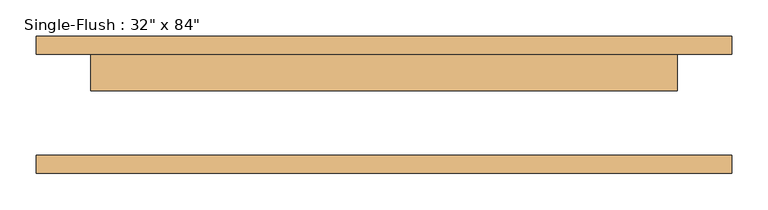
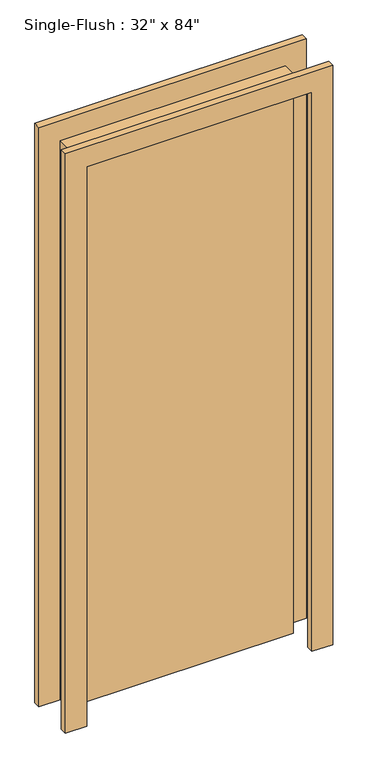
"""IFC4 building model written with IfcOpenShell, lengths in millimetres: door geometry."""

from ifc_helpers import new_model, si_unit, frame, origin, origin_with_axes, place, context, project, spatial, polyline, outline, extrude, source, transform, mapped, element, save


def door_fd10f7aa(model_context):
    return source(origin(), model_context, "Body", "SweptSolid", [
        extrude(outline(polyline([(2209.8, -482.6), (0.0, -482.6), (0.0, -406.4), (2133.6, -406.4), (2133.6, 406.4), (0.0, 406.4), (0.0, 482.6), (2209.8, 482.6), (2209.8, -482.6)])), frame((0.0, 69.85, 0.0), z_axis=(0.0, 1.0, 0.0), x_axis=(0.0, 0.0, 1.0)), (0.0, 0.0, 1.0), 25.4),
        extrude(outline(polyline([(2209.8, 482.6), (2209.8, -482.6), (0.0, -482.6), (0.0, -406.4), (2133.6, -406.4), (2133.6, 406.4), (0.0, 406.4), (0.0, 482.6), (2209.8, 482.6)])), frame((0.0, -95.25, 0.0), z_axis=(0.0, 1.0, 0.0), x_axis=(0.0, 0.0, 1.0)), (0.0, 0.0, 1.0), 25.4),
        extrude(outline(polyline([(406.4, 19.05), (-406.4, 19.05), (-406.4, 69.85), (406.4, 69.85), (406.4, 19.05)])), origin_with_axes(), (0.0, 0.0, 1.0), 2133.6),
    ])


if __name__ == "__main__":
    model = new_model("IFC4")
    model_context = context("Model", 3, world=origin())
    ifc_project = project(units=[si_unit("LENGTHUNIT", "METRE", prefix="MILLI")], contexts=[model_context])
    site = spatial("IfcSite", under=ifc_project)
    building = spatial("IfcBuilding", under=site)
    placement = place(None, origin())
    door_shape = door_fd10f7aa(model_context)
    element("IfcDoor", 1, ObjectType="Single-Flush : 32\" x 84\"", at=placement, inside=building, context=model_context, shape_type="MappedRepresentation", body=[
        mapped(door_shape, transform((0.0, 0.0, 0.0), x_axis=(1.0, 0.0, 0.0), y_axis=(0.0, 1.0, 0.0), z_axis=(0.0, 0.0, 1.0))),
    ])
    save(model, "model.ifc")
